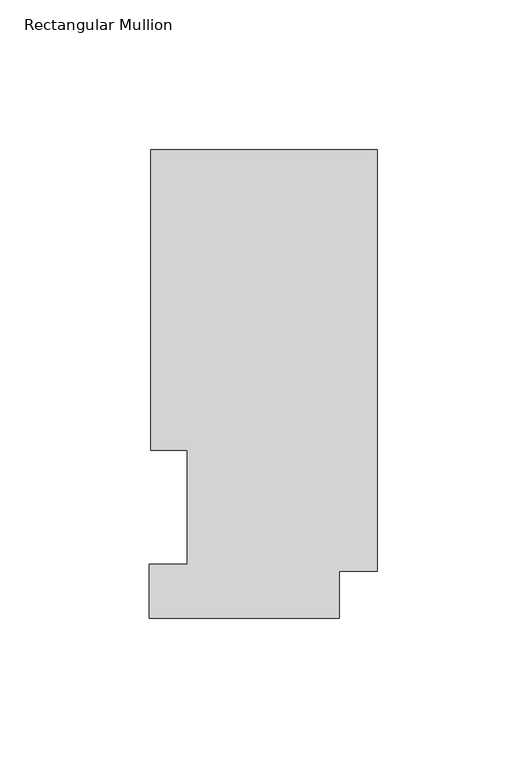
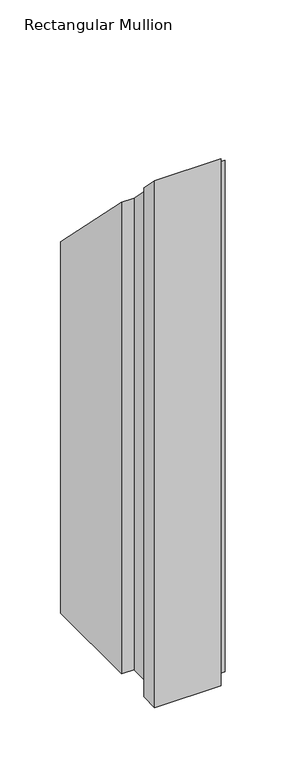
"""IFC4 building model written with IfcOpenShell, lengths in millimetres: member geometry, Rectangular Mullion."""

from ifc_helpers import new_model, si_unit, origin, place, context, project, spatial, faceted_brep, source, transform, mapped, element, save


def rectangular_mullion_94cc1c91(model_context):
    return source(origin(), model_context, "Body", "Brep", [
        faceted_brep([(-75.7936, 157.3395063, -533.4), (0.0, 157.3395063, -533.4), (0.0, 16.1663063, -533.4), (-12.7, 16.1663063, -533.4), (-12.7, 0.5199063, -533.4), (-76.2, 0.5199063, -533.4), (-76.2, 18.5539063, -533.4), (-63.5, 18.5539063, -533.4), (-63.5, 56.6539063, -533.4), (-75.7936, 56.6539063, -533.4), (-75.7936, 56.6539063, -56.6539062), (-75.7936, 157.3395063, -157.3395063), (-63.5, 56.6539063, -56.6539062), (-63.5, 18.5539063, -18.5539063), (-76.2, 18.5539063, -18.5539063), (-76.2, 0.5199063, -0.5199063), (-12.7, 0.5199063, -0.5199063), (-12.7, 16.1663063, -16.1663063), (0.0, 16.1663063, -16.1663063), (0.0, 157.3395063, -157.3395063)], [[[0, 1, 2, 3, 4, 5, 6, 7, 8, 9]], [[10, 11, 0, 9]], [[12, 10, 9, 8]], [[13, 12, 8, 7]], [[14, 13, 7, 6]], [[15, 14, 6, 5]], [[16, 15, 5, 4]], [[17, 16, 4, 3]], [[18, 17, 3, 2]], [[19, 18, 2, 1]], [[11, 19, 1, 0]], [[11, 10, 12, 13, 14, 15, 16, 17, 18, 19]]]),
    ])


if __name__ == "__main__":
    model = new_model("IFC4")
    model_context = context("Model", 3, world=origin())
    ifc_project = project(units=[si_unit("LENGTHUNIT", "METRE", prefix="MILLI")], contexts=[model_context])
    site = spatial("IfcSite", under=ifc_project)
    building = spatial("IfcBuilding", under=site)
    placement = place(None, origin())
    rectangular_mullion_shape = rectangular_mullion_94cc1c91(model_context)
    element("IfcMember", 1, ObjectType="Rectangular Mullion", at=placement, inside=building, context=model_context, shape_type="MappedRepresentation", body=[
        mapped(rectangular_mullion_shape, transform((0.0, 0.0, 0.0), x_axis=(1.0, 0.0, 0.0), y_axis=(0.0, 1.0, 0.0), z_axis=(0.0, 0.0, 1.0))),
    ])
    save(model, "model.ifc")
